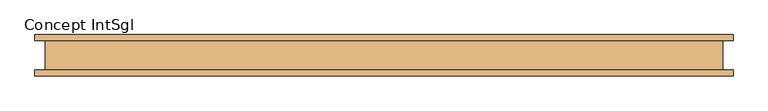
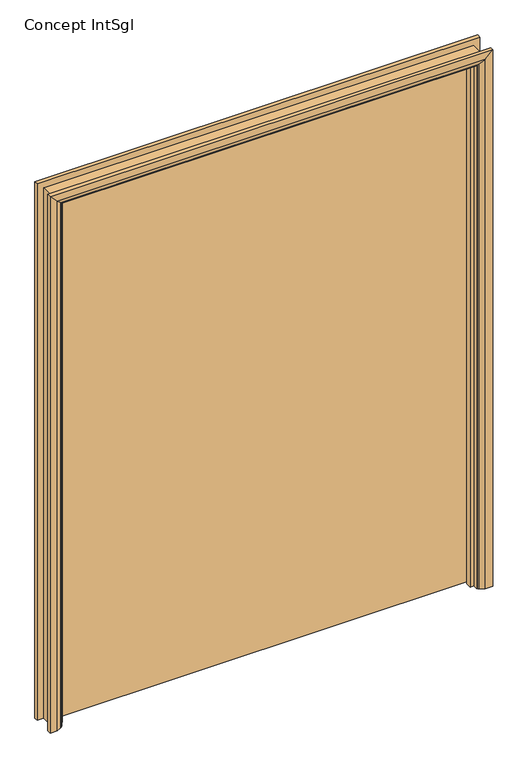
"""IFC4 building model written with IfcOpenShell, lengths in millimetres: door geometry, Concept IntSgl."""

from ifc_helpers import new_model, si_unit, frame, origin, place, context, project, spatial, polyline, circle_curve, ellipse_curve, outline, extrude, faceted_brep, source, transform, mapped, element, save
from ifc_brep_helpers import plane_surface, cylinder_surface, advanced_brep


def concept_intsgl_72fe80e4(model_context):
    return source(origin(), model_context, "Body", "SolidModel", [
        extrude(outline(polyline([(1108.0, 12.0), (-1108.0, 12.0), (-1108.0, 50.0), (1108.0, 50.0), (1108.0, 12.0)])), frame((0.0, 0.0, 8.0), z_axis=(0.0, 0.0, 1.0), x_axis=(1.0, 0.0, 0.0)), (0.0, 0.0, 1.0), 2950.0),
        advanced_brep(
        [(1185.0, 70.0, 0.0), (1185.0, 50.0, 0.0), (1115.0, 50.0, 0.0), (1119.0, 56.0, 0.0), (1145.0, 70.0, 0.0), (1185.0, 70.0, 3035.0), (1185.0, 50.0, 3035.0), (-1185.0, 50.0, 3035.0), (-1185.0, 50.0, 0.0), (-1115.0, 50.0, 0.0), (-1115.0, 50.0, 2965.0), (1115.0, 50.0, 2965.0), (1119.0, 56.0, 2969.0), (1145.0, 70.0, 2995.0), (-1145.0, 70.0, 2995.0), (-1145.0, 70.0, 0.0), (-1185.0, 70.0, 0.0), (-1185.0, 70.0, 3035.0), (-1119.0, 56.0, 0.0), (-1119.0, 56.0, 2969.0)],
        [
            (0, 1),
            (1, 2),
            (2, 3, circle_curve(frame((1123.0, 49.0, 0.0), z_axis=(0.0, 0.0, -1.0), x_axis=(1.0, 0.0, 0.0)), 8.0622577)),
            (3, 4),
            (4, 0),
            (0, 5),
            (5, 6),
            (6, 1),
            (6, 7),
            (7, 8),
            (8, 9),
            (9, 10),
            (10, 11),
            (11, 2),
            (11, 12, ellipse_curve(frame((1123.0, 49.0, 2973.0), z_axis=(0.7071067811865475, 0.0, -0.7071067811865475), x_axis=(-0.7071067811865474, 0.0, -0.7071067811865476)), 11.4017543, 8.0622577)),
            (12, 3),
            (12, 13),
            (13, 4),
            (13, 14),
            (14, 15),
            (15, 16),
            (16, 17),
            (17, 5),
            (7, 17),
            (16, 8),
            (15, 18),
            (18, 9, circle_curve(frame((-1123.0, 49.0, 0.0), z_axis=(0.0, 0.0, -1.0), x_axis=(-1.0, 0.0, 0.0)), 8.0622577)),
            (19, 10, ellipse_curve(frame((-1123.0, 49.0, 2973.0), z_axis=(-0.7071067811865475, 0.0, -0.7071067811865475), x_axis=(-0.7071067811865474, 0.0, 0.7071067811865476)), 11.4017543, 8.0622577)),
            (18, 19),
            (14, 19),
            (19, 12),
        ],
        [
            plane_surface(frame((1115.0, 50.0, 0.0), z_axis=(0.0, 0.0, -1.0), x_axis=(0.0, -1.0, 0.0))),
            plane_surface(frame((1185.0, 70.0, 0.0), z_axis=(1.0, 0.0, 0.0), x_axis=(0.0, 0.0, 1.0))),
            plane_surface(frame((1185.0, 50.0, 0.0), z_axis=(0.0, -1.0, 0.0), x_axis=(0.0, 0.0, 1.0))),
            cylinder_surface(frame((1123.0, 49.0, 0.0), z_axis=(0.0, 0.0, -1.0), x_axis=(1.0, 0.0, 0.0)), 8.0622577),
            plane_surface(frame((1119.0, 56.0, 0.0), z_axis=(-0.4740998230350126, 0.880471099922178, 0.0), x_axis=(0.0, 0.0, 1.0))),
            plane_surface(frame((1145.0, 70.0, 0.0), z_axis=(0.0, 1.0, 0.0), x_axis=(0.0, 0.0, 1.0))),
            plane_surface(frame((-1185.0, 70.0, 3035.0), z_axis=(-1.0, 0.0, 0.0), x_axis=(0.0, 0.0, -1.0))),
            plane_surface(frame((-1115.0, 50.0, 0.0), z_axis=(0.0, 0.0, -1.0), x_axis=(0.0, -1.0, 0.0))),
            cylinder_surface(frame((-1123.0, 49.0, 2965.0), z_axis=(0.0, 0.0, 1.0), x_axis=(-1.0, 0.0, 0.0)), 8.0622577),
            plane_surface(frame((-1119.0, 56.0, 2969.0), z_axis=(0.47409982303501824, 0.8804710999221749, 0.0), x_axis=(0.0, 0.0, -1.0))),
            plane_surface(frame((1185.0, 70.0, 3035.0), z_axis=(0.0, 0.0, 1.0), x_axis=(-1.0, 0.0, 0.0))),
            cylinder_surface(frame((1115.0, 49.0, 2973.0), z_axis=(1.0, 0.0, 0.0), x_axis=(0.0, 0.0, 1.0)), 8.0622577),
            plane_surface(frame((1119.0, 56.0, 2969.0), z_axis=(0.0, 0.8804710999221764, -0.4740998230350154), x_axis=(-1.0, 0.0, 0.0))),
        ],
        [
            (0, [[1, 2, 3, 4, 5]]),
            (1, [[-1, 6, 7, 8]]),
            (2, [[-2, -8, 9, 10, 11, 12, 13, 14]]),
            (3, [[-3, -14, 15, 16]]),
            (4, [[-4, -16, 17, 18]]),
            (5, [[-5, -18, 19, 20, 21, 22, 23, -6]]),
            (6, [[24, -22, 25, -10]]),
            (7, [[-21, 26, 27, -11, -25]]),
            (8, [[28, -12, -27, 29]]),
            (9, [[30, -29, -26, -20]]),
            (10, [[-7, -23, -24, -9]]),
            (11, [[-15, -13, -28, 31]]),
            (12, [[-17, -31, -30, -19]]),
        ],
    ),
        extrude(outline(polyline([(0.0, -1110.0), (0.0, -1091.0), (2941.0, -1091.0), (2941.0, 1091.0), (0.0, 1091.0), (0.0, 1110.0), (2960.0, 1110.0), (2960.0, -1110.0), (0.0, -1110.0)])), frame((0.0, -22.0, 0.0), z_axis=(0.0, 1.0, 0.0), x_axis=(0.0, 0.0, 1.0)), (0.0, 0.0, 1.0), 32.0),
        advanced_brep(
        [(-1185.0, -70.0, 0.0), (-1185.0, -50.0, 0.0), (-1115.0, -50.0, 0.0), (-1119.0, -56.0, 0.0), (-1145.0, -70.0, 0.0), (-1185.0, -70.0, 3035.0), (-1185.0, -50.0, 3035.0), (-1115.0, -50.0, 2965.0), (-1119.0, -56.0, 2969.0), (-1145.0, -70.0, 2995.0), (1185.0, -70.0, 0.0), (1145.0, -70.0, 0.0), (1119.0, -56.0, 0.0), (1115.0, -50.0, 0.0), (1185.0, -50.0, 0.0), (1185.0, -70.0, 3035.0), (1145.0, -70.0, 2995.0), (1119.0, -56.0, 2969.0), (1115.0, -50.0, 2965.0), (1185.0, -50.0, 3035.0)],
        [
            (0, 1),
            (1, 2),
            (2, 3, circle_curve(frame((-1123.0, -49.0, 0.0), z_axis=(0.0, 0.0, -1.0), x_axis=(-1.0, 0.0, 0.0)), 8.0622577)),
            (3, 4),
            (4, 0),
            (0, 5),
            (5, 6),
            (6, 1),
            (6, 7),
            (7, 2),
            (7, 8, ellipse_curve(frame((-1123.0, -49.0, 2973.0), z_axis=(-0.7071067811865475, 0.0, -0.7071067811865475), x_axis=(0.7071067811865474, 0.0, -0.7071067811865476)), 11.4017543, 8.0622577)),
            (8, 3),
            (8, 9),
            (9, 4),
            (9, 5),
            (10, 11),
            (11, 12),
            (12, 13, circle_curve(frame((1123.0, -49.0, 0.0), z_axis=(0.0, 0.0, -1.0), x_axis=(1.0, 0.0, 0.0)), 8.0622577)),
            (13, 14),
            (14, 10),
            (15, 16),
            (16, 11),
            (10, 15),
            (16, 17),
            (17, 12),
            (17, 18, ellipse_curve(frame((1123.0, -49.0, 2973.0), z_axis=(0.7071067811865475, 0.0, -0.7071067811865475), x_axis=(0.7071067811865474, 0.0, 0.7071067811865476)), 11.4017543, 8.0622577)),
            (18, 13),
            (18, 19),
            (19, 14),
            (19, 15),
            (5, 15),
            (19, 6),
            (18, 7),
            (17, 8),
            (16, 9),
        ],
        [
            plane_surface(frame((-1115.0, -122.8010989, 0.0), z_axis=(0.0, 0.0, -1.0), x_axis=(1.0, 0.0, 0.0))),
            plane_surface(frame((-1185.0, -70.0, 0.0), z_axis=(-1.0, 0.0, 0.0), x_axis=(0.0, 0.0, 1.0))),
            plane_surface(frame((-1185.0, -50.0, 0.0), z_axis=(0.0, 1.0, 0.0), x_axis=(0.0, 0.0, 1.0))),
            cylinder_surface(frame((-1123.0, -49.0, 0.0), z_axis=(0.0, 0.0, -1.0), x_axis=(-1.0, 0.0, 0.0)), 8.0622577),
            plane_surface(frame((-1119.0, -56.0, 0.0), z_axis=(0.4740998230350183, -0.8804710999221749, 0.0), x_axis=(0.0, 0.0, 1.0))),
            plane_surface(frame((-1145.0, -70.0, 0.0), z_axis=(0.0, -1.0, 0.0), x_axis=(0.0, 0.0, 1.0))),
            plane_surface(frame((1115.0, -122.8010989, 0.0), z_axis=(0.0, 0.0, -1.0), x_axis=(-1.0, 0.0, 0.0))),
            plane_surface(frame((1145.0, -70.0, 2995.0), z_axis=(0.0, -1.0, 0.0), x_axis=(0.0, 0.0, -1.0))),
            plane_surface(frame((1119.0, -56.0, 2969.0), z_axis=(-0.4740998230350183, -0.8804710999221749, 0.0), x_axis=(0.0, 0.0, -1.0))),
            cylinder_surface(frame((1123.0, -49.0, 2965.0), z_axis=(0.0, 0.0, 1.0), x_axis=(1.0, 0.0, 0.0)), 8.0622577),
            plane_surface(frame((1185.0, -50.0, 3035.0), z_axis=(0.0, 1.0, 0.0), x_axis=(0.0, 0.0, -1.0))),
            plane_surface(frame((1185.0, -70.0, 3035.0), z_axis=(1.0, 0.0, 0.0), x_axis=(0.0, 0.0, -1.0))),
            plane_surface(frame((-1185.0, -70.0, 3035.0), z_axis=(0.0, 0.0, 1.0), x_axis=(1.0, 0.0, 0.0))),
            plane_surface(frame((-1185.0, -50.0, 3035.0), z_axis=(0.0, 1.0, 0.0), x_axis=(1.0, 0.0, 0.0))),
            cylinder_surface(frame((-1115.0, -49.0, 2973.0), z_axis=(-1.0, 0.0, 0.0), x_axis=(0.0, 0.0, 1.0)), 8.0622577),
            plane_surface(frame((-1119.0, -56.0, 2969.0), z_axis=(0.0, -0.8804710999221749, -0.4740998230350183), x_axis=(1.0, 0.0, 0.0))),
            plane_surface(frame((-1145.0, -70.0, 2995.0), z_axis=(0.0, -1.0, 0.0), x_axis=(1.0, 0.0, 0.0))),
        ],
        [
            (0, [[1, 2, 3, 4, 5]]),
            (1, [[-1, 6, 7, 8]]),
            (2, [[-2, -8, 9, 10]]),
            (3, [[-3, -10, 11, 12]]),
            (4, [[-4, -12, 13, 14]]),
            (5, [[-5, -14, 15, -6]]),
            (6, [[16, 17, 18, 19, 20]]),
            (7, [[21, 22, -16, 23]]),
            (8, [[24, 25, -17, -22]]),
            (9, [[26, 27, -18, -25]]),
            (10, [[28, 29, -19, -27]]),
            (11, [[30, -23, -20, -29]]),
            (12, [[-7, 31, -30, 32]]),
            (13, [[-9, -32, -28, 33]]),
            (14, [[-11, -33, -26, 34]]),
            (15, [[-13, -34, -24, 35]]),
            (16, [[-15, -35, -21, -31]]),
        ],
    ),
        faceted_brep([(-1110.0, -50.0, 0.0), (-1150.0, -50.0, 0.0), (-1150.0, 50.0, 0.0), (-1110.0, 50.0, 0.0), (-1110.0, -50.0, 2960.0), (-1150.0, -50.0, 3000.0), (-1150.0, 50.0, 3000.0), (-1110.0, 50.0, 2960.0), (1110.0, -50.0, 0.0), (1110.0, 50.0, 0.0), (1150.0, 50.0, 0.0), (1150.0, -50.0, 0.0), (1110.0, -50.0, 2960.0), (1110.0, 50.0, 2960.0), (1150.0, 50.0, 3000.0), (1150.0, -50.0, 3000.0)], [[[0, 1, 2, 3]], [[1, 0, 4, 5]], [[2, 1, 5, 6]], [[3, 2, 6, 7]], [[0, 3, 7, 4]], [[8, 9, 10, 11]], [[12, 13, 9, 8]], [[13, 14, 10, 9]], [[14, 15, 11, 10]], [[15, 12, 8, 11]], [[5, 4, 12, 15]], [[6, 5, 15, 14]], [[7, 6, 14, 13]], [[4, 7, 13, 12]]]),
    ])


if __name__ == "__main__":
    model = new_model("IFC4")
    model_context = context("Model", 3, world=origin())
    ifc_project = project(units=[si_unit("LENGTHUNIT", "METRE", prefix="MILLI")], contexts=[model_context])
    site = spatial("IfcSite", under=ifc_project)
    building = spatial("IfcBuilding", under=site)
    placement = place(None, origin())
    concept_intsgl_shape = concept_intsgl_72fe80e4(model_context)
    element("IfcDoor", 1, ObjectType="Concept IntSgl", at=placement, inside=building, context=model_context, shape_type="MappedRepresentation", body=[
        mapped(concept_intsgl_shape, transform((0.0, 0.0, 0.0), x_axis=(1.0, 0.0, 0.0), y_axis=(0.0, 1.0, 0.0), z_axis=(0.0, 0.0, 1.0))),
    ])
    save(model, "model.ifc")
